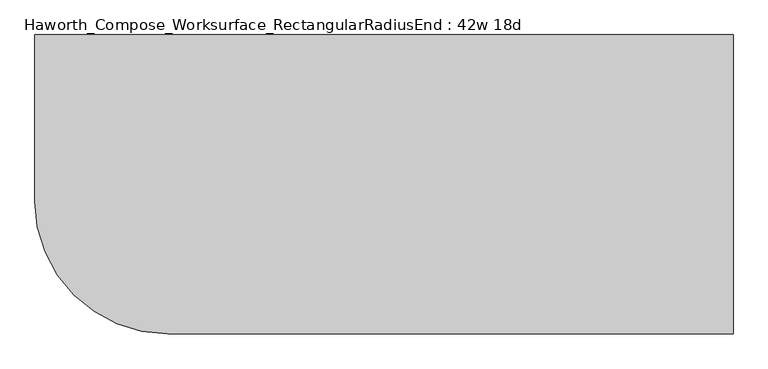
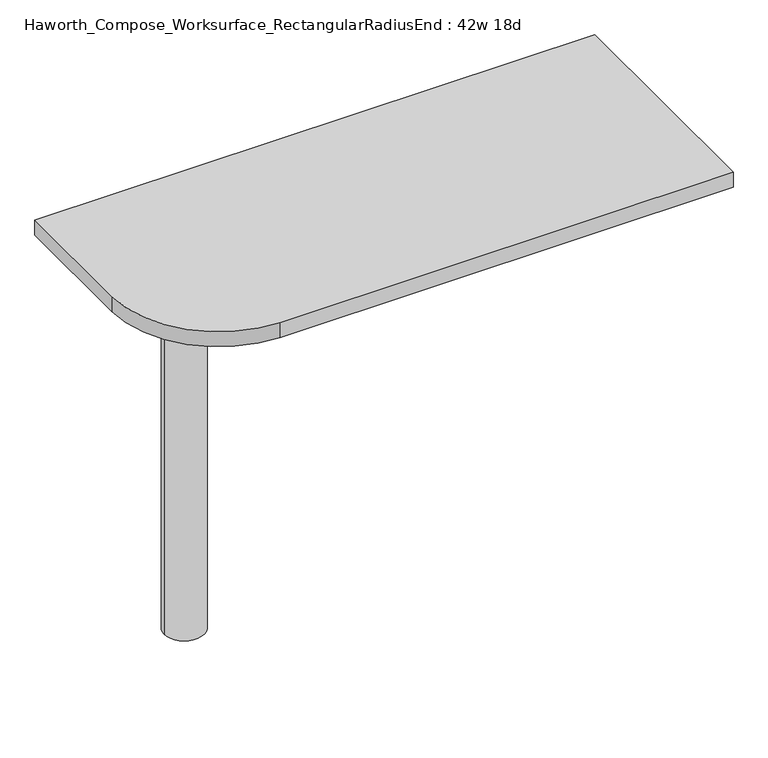
"""IFC4 building model written with IfcOpenShell, lengths in millimetres: furniture geometry, Haworth_Compose_Worksurface_RectangularRadiusEnd : 42w 18d."""

from ifc_helpers import new_model, si_unit, point, frame, frame_2d, origin, place, context, project, spatial, polyline, circle_curve, trimmed, segment, composite_curve, outline, extrude, source, transform, mapped, element, save
from ifc_brep_helpers import plane_surface, cylinder_surface, revolved_surface, advanced_brep


def haworth_compose_worksurface_rectangularradiusend_42w_18d_e1c40a76(model_context):
    return source(origin(), model_context, "Body", "SolidModel", [
        advanced_brep(
        [(527.84375, 228.6, 475.45625), (527.84375, 212.725, 475.45625), (527.84375, -177.8, 691.7192568), (527.84375, -177.8, 704.05625), (527.84375, 212.725, 704.05625), (527.84375, 228.6, 704.05625), (527.84375, 145.290072, 665.95625), (527.84375, 101.6355284, 665.95625), (527.84375, 98.9564235, 656.3705539), (527.84375, 190.6776173, 605.5776439), (527.84375, 200.025, 611.1756969), (527.84375, 200.025, 634.6860246), (527.84375, 198.2730055, 637.5242776), (527.84375, 148.3663437, 665.1613425), (530.225, 228.6, 475.45625), (530.225, 228.6, 704.05625), (530.225, 212.725, 704.05625), (530.225, 212.725, 706.4375), (530.225, -177.8, 706.4375), (530.225, -177.8, 691.7192568), (530.225, 212.725, 475.45625), (530.225, 145.290072, 665.95625), (530.225, 148.3663437, 665.1613425), (530.225, 198.2730055, 637.5242776), (530.225, 200.025, 634.6860246), (530.225, 200.025, 611.1756969), (530.225, 190.6776173, 605.5776439), (530.225, 98.9564235, 656.3705539), (530.225, 101.6355284, 665.95625), (488.95, -177.8, 706.4375), (488.95, -177.8, 704.05625), (488.95, 212.725, 704.05625), (488.95, 212.725, 706.4375)],
        [
            (0, 1),
            (1, 2),
            (2, 3),
            (3, 4),
            (4, 5),
            (5, 0),
            (6, 7),
            (7, 8, circle_curve(frame((527.84375, 101.6355284, 660.7890106), z_axis=(1.0, 0.0, 0.0), x_axis=(0.0, -1.0, 0.0)), 5.1672394)),
            (8, 9),
            (9, 10, circle_curve(frame((527.84375, 193.675, 611.1756969), z_axis=(1.0, 0.0, 0.0), x_axis=(0.0, -1.0, 0.0)), 6.35)),
            (10, 11),
            (11, 12, circle_curve(frame((527.84375, 196.85, 634.6860246), z_axis=(1.0, 0.0, 0.0), x_axis=(0.0, -1.0, 0.0)), 3.175)),
            (12, 13),
            (13, 6, circle_curve(frame((527.84375, 145.290072, 659.60625), z_axis=(1.0, 0.0, 0.0), x_axis=(0.0, -1.0, 0.0)), 6.35)),
            (14, 15),
            (15, 16),
            (16, 17),
            (17, 18),
            (18, 19),
            (19, 20),
            (20, 14),
            (21, 22, circle_curve(frame((530.225, 145.290072, 659.60625), z_axis=(-1.0, 0.0, 0.0), x_axis=(0.0, -1.0, 0.0)), 6.35)),
            (22, 23),
            (23, 24, circle_curve(frame((530.225, 196.85, 634.6860246), z_axis=(-1.0, 0.0, 0.0), x_axis=(0.0, -1.0, 0.0)), 3.175)),
            (24, 25),
            (25, 26, circle_curve(frame((530.225, 193.675, 611.1756969), z_axis=(-1.0, 0.0, 0.0), x_axis=(0.0, -1.0, 0.0)), 6.35)),
            (26, 27),
            (27, 28, circle_curve(frame((530.225, 101.6355284, 660.7890106), z_axis=(-1.0, 0.0, 0.0), x_axis=(0.0, -1.0, 0.0)), 5.1672394)),
            (28, 21),
            (4, 16),
            (15, 5),
            (14, 0),
            (20, 1),
            (19, 2),
            (18, 29),
            (29, 30),
            (30, 3),
            (6, 21),
            (28, 7),
            (9, 26),
            (25, 10),
            (24, 11),
            (23, 12),
            (27, 8),
            (31, 4),
            (30, 31),
            (32, 29),
            (17, 32),
            (31, 32),
            (22, 13),
        ],
        [
            plane_surface(frame((527.84375, 228.6, 475.45625), z_axis=(-1.0, 0.0, 0.0), x_axis=(0.0, 1.0, 0.0))),
            plane_surface(frame((530.225, 228.6, 475.45625), z_axis=(1.0, 0.0, 0.0), x_axis=(0.0, -1.0, 0.0))),
            plane_surface(frame((530.225, -177.8, 704.05625), z_axis=(0.0, 0.0, 1.0), x_axis=(-1.0, 0.0, 0.0))),
            plane_surface(frame((530.225, 228.6, 704.05625), z_axis=(0.0, 1.0, 0.0), x_axis=(-1.0, 0.0, 0.0))),
            plane_surface(frame((530.225, 228.6, 475.45625), z_axis=(0.0, 0.0, -1.0), x_axis=(-1.0, 0.0, 0.0))),
            plane_surface(frame((530.225, 212.725, 475.45625), z_axis=(0.0, -0.48445223513455843, -0.8748177135112952), x_axis=(-1.0, 0.0, 0.0))),
            plane_surface(frame((530.225, -177.8, 691.7192568), z_axis=(0.0, -1.0, 0.0), x_axis=(-1.0, 0.0, 0.0))),
            plane_surface(frame((530.225, 145.290072, 665.95625), z_axis=(0.0, 0.0, -1.0), x_axis=(-1.0, 0.0, 0.0))),
            revolved_surface(polyline([(527.84375, 187.32500000000002, 611.1756969), (530.225, 187.32500000000002, 611.1756969)]), (530.225, 193.675, 611.1756969), (-1.0, 0.0, 0.0)),
            plane_surface(frame((530.225, 200.025, 611.1756969), z_axis=(0.0, -1.0, 0.0), x_axis=(-1.0, 0.0, 0.0))),
            revolved_surface(polyline([(527.84375, 193.67499999999998, 634.6860246), (530.225, 193.67499999999998, 634.6860246)]), (530.225, 196.85, 634.6860246), (-1.0, 0.0, 0.0)),
            revolved_surface(polyline([(527.84375, 96.468289, 660.7890106), (530.225, 96.468289, 660.7890106)]), (530.225, 101.6355284, 660.7890106), (-1.0, 0.0, 0.0)),
            plane_surface(frame((530.225, 212.725, 704.05625), z_axis=(0.0, 0.0, -1.0), x_axis=(-1.0, 0.0, 0.0))),
            plane_surface(frame((530.225, 212.725, 706.4375), z_axis=(0.0, 0.0, 1.0), x_axis=(1.0, 0.0, 0.0))),
            plane_surface(frame((488.95, 212.725, 706.4375), z_axis=(0.0, 1.0, 0.0), x_axis=(0.0, 0.0, -1.0))),
            plane_surface(frame((488.95, -177.8, 706.4375), z_axis=(-1.0, 0.0, 0.0), x_axis=(0.0, 0.0, -1.0))),
            plane_surface(frame((530.225, 98.9564235, 656.3705539), z_axis=(0.0, 0.4844522351345583, 0.8748177135112953), x_axis=(-1.0, 0.0, 0.0))),
            plane_surface(frame((530.225, 198.2730055, 637.5242776), z_axis=(0.0, -0.4844522351345582, -0.8748177135112953), x_axis=(-1.0, 0.0, 0.0))),
            revolved_surface(polyline([(527.84375, 138.94007200000001, 659.60625), (530.225, 138.94007200000001, 659.60625)]), (530.225, 145.290072, 659.60625), (-1.0, 0.0, 0.0)),
        ],
        [
            (0, [[1, 2, 3, 4, 5, 6], [7, 8, 9, 10, 11, 12, 13, 14]]),
            (1, [[15, 16, 17, 18, 19, 20, 21], [22, 23, 24, 25, 26, 27, 28, 29]]),
            (2, [[-5, 30, -16, 31]]),
            (3, [[-31, -15, 32, -6]]),
            (4, [[-32, -21, 33, -1]]),
            (5, [[-33, -20, 34, -2]]),
            (6, [[-34, -19, 35, 36, 37, -3]]),
            (7, [[38, -29, 39, -7]]),
            (8, [[40, -26, 41, -10]]),
            (9, [[-41, -25, 42, -11]]),
            (10, [[-42, -24, 43, -12]]),
            (11, [[-39, -28, 44, -8]]),
            (12, [[45, -4, -37, 46]]),
            (13, [[47, -35, -18, 48]]),
            (14, [[-17, -30, -45, 49, -48]]),
            (15, [[-36, -47, -49, -46]]),
            (16, [[-44, -27, -40, -9]]),
            (17, [[-43, -23, 50, -13]]),
            (18, [[-50, -22, -38, -14]]),
        ],
    ),
        advanced_brep(
        [(-342.9, 0.0, 706.4375), (-419.1, 0.0, 706.4375), (-381.0, 0.0, 706.4375), (-342.9, 0.0, 0.0), (-419.1, 0.0, 0.0), (-381.0, 0.0, 0.0)],
        [
            (0, 1, circle_curve(frame((-381.0, 0.0, 706.4375), z_axis=(0.0, 0.0, 1.0), x_axis=(-1.0, 0.0, 0.0)), 38.1)),
            (1, 2),
            (2, 0),
            (1, 0, circle_curve(frame((-381.0, 0.0, 706.4375), z_axis=(0.0, 0.0, 1.0), x_axis=(-1.0, 0.0, 0.0)), 38.1)),
            (3, 4, circle_curve(frame((-381.0, 0.0, 0.0), z_axis=(0.0, 0.0, 1.0), x_axis=(-1.0, 0.0, 0.0)), 38.1)),
            (4, 1),
            (0, 3),
            (4, 3, circle_curve(frame((-381.0, 0.0, 0.0), z_axis=(0.0, 0.0, 1.0), x_axis=(-1.0, 0.0, 0.0)), 38.1)),
            (5, 4),
            (3, 5),
        ],
        [
            plane_surface(frame((-381.0, 0.0, 706.4375), z_axis=(0.0, 0.0, 1.0), x_axis=(-1.0, 0.0, 0.0))),
            cylinder_surface(frame((-381.0, 0.0, 889.623257), z_axis=(0.0, 0.0, -1.0), x_axis=(-1.0, 0.0, 0.0)), 38.1),
            plane_surface(frame((-381.0, 0.0, 0.0), z_axis=(0.0, 0.0, -1.0), x_axis=(-1.0, 0.0, 0.0))),
        ],
        [
            (0, [[1, 2, 3]]),
            (0, [[4, -3, -2]]),
            (1, [[5, 6, -1, 7]]),
            (1, [[8, -7, -4, -6]]),
            (2, [[9, -5, 10]]),
            (2, [[-10, -8, -9]]),
        ],
    ),
        extrude(outline(composite_curve([segment(polyline([(533.4, 228.6), (533.4, -228.6), (-330.2, -228.6)]), True, "CONTINUOUS"), segment(trimmed(circle_curve(frame_2d((-330.2, -25.4)), 203.2), [point((-330.2, -228.6))], [point((-533.4, -25.4))], False, "CARTESIAN"), True, "CONTINUOUS"), segment(polyline([(-533.4, -25.4), (-533.4, 228.6), (533.4, 228.6)]), True, "CONTINUOUS")], self_intersect=False)), frame((0.0, 0.0, 706.4375), z_axis=(0.0, 0.0, 1.0), x_axis=(1.0, 0.0, 0.0)), (0.0, 0.0, 1.0), 30.1625),
    ])


if __name__ == "__main__":
    model = new_model("IFC4")
    model_context = context("Model", 3, world=origin())
    ifc_project = project(units=[si_unit("LENGTHUNIT", "METRE", prefix="MILLI")], contexts=[model_context])
    site = spatial("IfcSite", under=ifc_project)
    building = spatial("IfcBuilding", under=site)
    placement = place(None, origin())
    haworth_compose_worksurface_rectangularradiusend_42w_18d_shape = haworth_compose_worksurface_rectangularradiusend_42w_18d_e1c40a76(model_context)
    element("IfcFurniture", 1, ObjectType="Haworth_Compose_Worksurface_RectangularRadiusEnd : 42w 18d", at=placement, inside=building, context=model_context, shape_type="MappedRepresentation", body=[
        mapped(haworth_compose_worksurface_rectangularradiusend_42w_18d_shape, transform((0.0, 0.0, 0.0), x_axis=(1.0, 0.0, 0.0), y_axis=(0.0, 1.0, 0.0), z_axis=(0.0, 0.0, 1.0))),
    ])
    save(model, "model.ifc")
